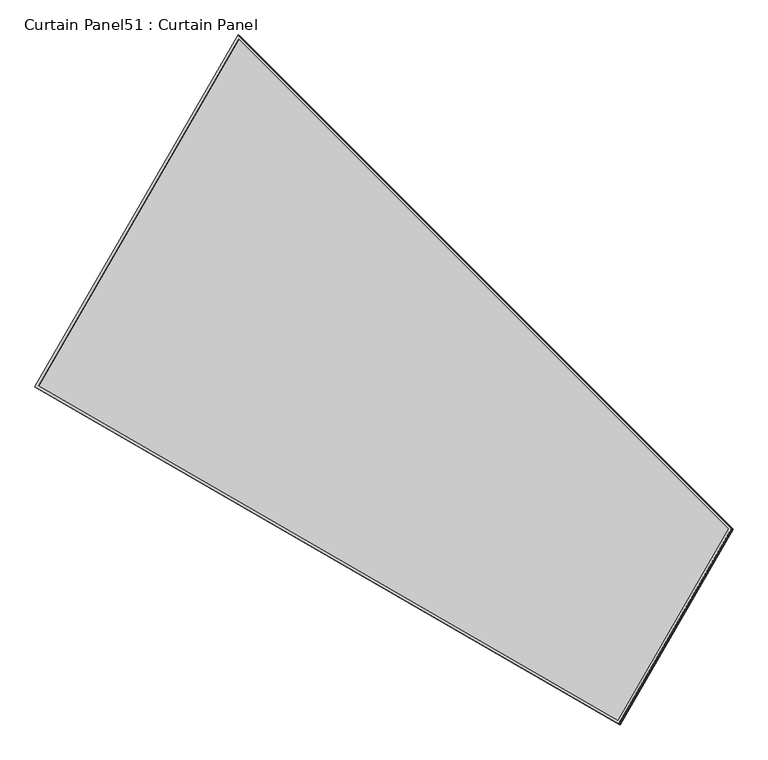
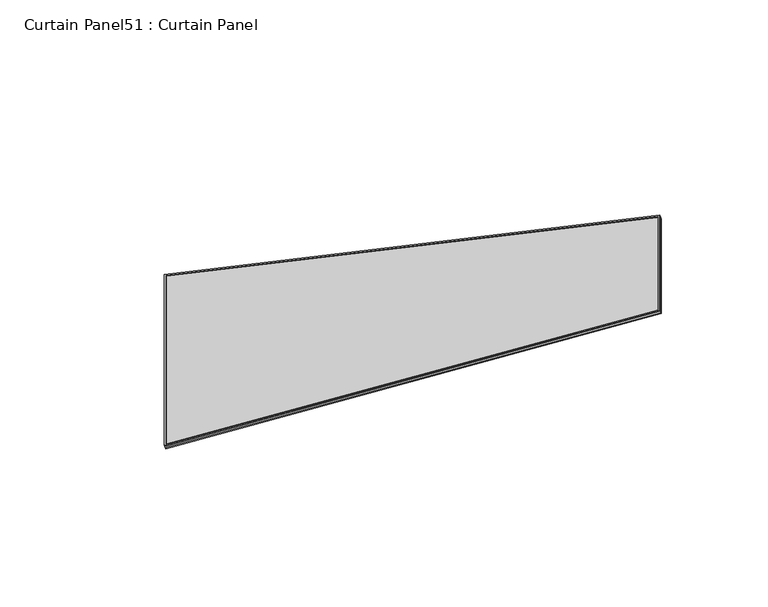
"""IFC4 building model written with IfcOpenShell, lengths in millimetres: plate geometry, Curtain Panel51 : Curtain Panel."""

from ifc_helpers import new_model, si_unit, frame, origin, place, context, project, spatial, polyline, outline, extrude, source, transform, mapped, element, save


def curtain_panel51_curtain_panel_1a2ff7cb(model_context):
    return source(origin(), model_context, "Body", "SweptSolid", [
        extrude(outline(polyline([(903.3982323, -2842.2762641), (0.0, -2842.276264), (0.0, 0.0), (1625.9225981, -1e-07), (903.3982323, -2842.2762641)]), holes=[polyline([(1611.6318022, -11.1125), (11.1125, -11.1125), (11.1125, -2831.163764), (894.7571701, -2831.1637641), (1611.6318022, -11.1125)])]), frame((4600.1126307, 6782.0602715, -9.1291013), z_axis=(-0.2737903148616792, 0.1580729119869075, 0.9487106081329133), x_axis=(0.5000000000000111, 0.8660254037844323, 0.0)), (0.0, 0.0, 1.0), 4.8172542),
        extrude(outline(polyline([(903.3982323, -2842.2762639), (0.0, -2842.276264), (0.0, 0.0), (1625.9225981, 1e-07), (903.3982323, -2842.2762639)]), holes=[polyline([(1611.6318022, -11.1125), (11.1125, -11.1125), (11.1125, -2831.163764), (894.7571701, -2831.1637639), (1611.6318022, -11.1125)])]), frame((4604.9454567, 6779.2700381, -25.8753228), z_axis=(-0.27379031486167443, 0.15807291198690473, 0.9487106081329151), x_axis=(0.500000000000011, 0.8660254037844324, 0.0)), (0.0, 0.0, 1.0), 4.7754691),
        extrude(outline(polyline([(-596.6683727, 0.0), (1029.2542254, 0.0), (306.7298596, -2842.276264), (-596.6683727, -2842.276264), (-596.6683727, 0.0)])), frame((4901.9721659, 7296.7548788, -21.3447847), z_axis=(-0.27379031486167676, 0.15807291198690618, 0.9487106081329142), x_axis=(0.5000000000000112, 0.8660254037844323, 0.0)), (0.0, 0.0, 1.0), 12.8760902),
    ])


if __name__ == "__main__":
    model = new_model("IFC4")
    model_context = context("Model", 3, world=origin())
    ifc_project = project(units=[si_unit("LENGTHUNIT", "METRE", prefix="MILLI")], contexts=[model_context])
    site = spatial("IfcSite", under=ifc_project)
    building = spatial("IfcBuilding", under=site)
    placement = place(None, origin())
    curtain_panel51_curtain_panel_shape = curtain_panel51_curtain_panel_1a2ff7cb(model_context)
    element("IfcPlate", 1, ObjectType="Curtain Panel51 : Curtain Panel", at=placement, inside=building, context=model_context, shape_type="MappedRepresentation", body=[
        mapped(curtain_panel51_curtain_panel_shape, transform((0.0, 0.0, 0.0), x_axis=(1.0, 0.0, 0.0), y_axis=(0.0, 1.0, 0.0), z_axis=(0.0, 0.0, 1.0))),
    ])
    save(model, "model.ifc")
